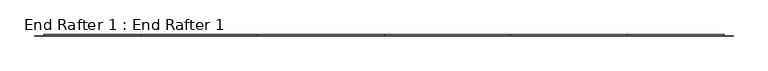
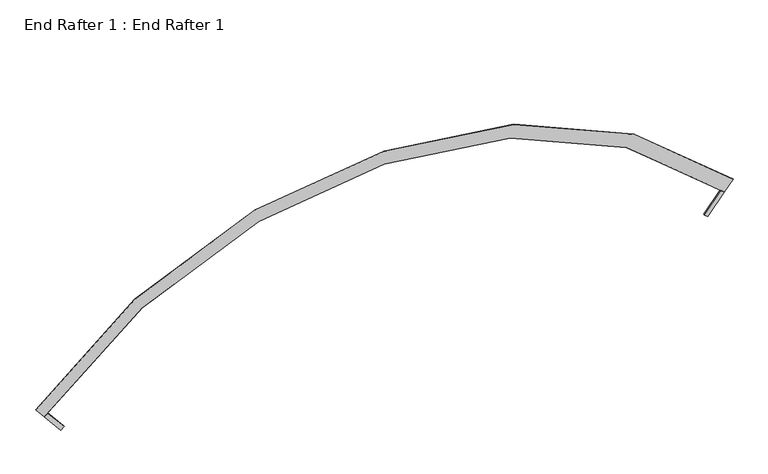
"""IFC4 building model written with IfcOpenShell, lengths in millimetres: proxy geometry, End Rafter 1 : End Rafter 1."""

from ifc_helpers import new_model, si_unit, frame, origin, place, context, project, spatial, polyline, outline, extrude, faceted_brep, source, transform, mapped, element, save


def end_rafter_1_end_rafter_1_32bc433b(model_context):
    return source(origin(), model_context, "Body", "SolidModel", [
        extrude(outline(polyline([(-495.2958383, -7306.1446037), (-351.3586082, -7187.0456107), (-331.0822778, -7211.550594), (-475.0552293, -7330.6064158), (-495.2958383, -7306.1446037)])), frame((0.0, 5367.6209953, 0.0), z_axis=(0.0, 1.0, 0.0), x_axis=(0.0, 0.0, 1.0)), (0.0, 0.0, 1.0), 9.5262039),
        extrude(outline(polyline([(-495.3112808, -11962.9502934), (-475.0705097, -11938.4886156), (-331.0983478, -12057.5453922), (-351.3748407, -12082.050241), (-495.3112808, -11962.9502934)])), frame((0.0, 5367.6209953, 0.0), z_axis=(0.0, 1.0, 0.0), x_axis=(0.0, 0.0, 1.0)), (0.0, 0.0, 1.0), 9.5262039),
        faceted_brep([(-12083.0513154, 5369.1961978, -350.1650074), (-12083.0513154, 5377.1471992, -350.1650074), (-12082.050241, 5377.1471992, -351.3748407), (-12082.050241, 5367.6209953, -351.3748407), (-12145.2093727, 5367.6209953, -275.0448275), (-12145.2093727, 5369.1961978, -275.0448275), (-11378.6436486, 5369.1961978, 232.6958451), (-11378.6436486, 5377.1471992, 232.6958451), (-10540.7789558, 5377.1471992, 598.5550746), (-9634.5514783, 5377.1471992, 719.2915016), (-8728.3240009, 5377.1471992, 598.5550746), (-7890.4593081, 5377.1471992, 232.6958451), (-7186.0516413, 5377.1471992, -350.1650074), (-7187.0527156, 5377.1471992, -351.3748407), (-7891.2901665, 5377.1471992, 231.345167), (-8728.7501378, 5377.1471992, 597.0276721), (-9634.5514783, 5377.1471992, 717.707325), (-10540.3528189, 5377.1471992, 597.0276721), (-11377.8127902, 5377.1471992, 231.345167), (-11377.8127902, 5367.6209953, 231.345167), (-10540.3528189, 5367.6209953, 597.0276721), (-9634.5514783, 5367.6209953, 717.707325), (-8728.7501378, 5367.6209953, 597.0276721), (-7891.2901665, 5367.6209953, 231.345167), (-7187.0527156, 5367.6209953, -351.3748407), (-7123.893584, 5367.6209953, -275.0448275), (-7838.8701918, 5367.6209953, 316.5612762), (-8701.8645855, 5367.6209953, 693.393558), (-9634.5514783, 5367.6209953, 817.6551653), (-10567.2383711, 5367.6209953, 693.393558), (-11430.2327649, 5367.6209953, 316.5612762), (-11430.2327649, 5369.1961978, 316.5612762), (-10567.2383711, 5369.1961978, 693.393558), (-9634.5514783, 5369.1961978, 817.6551653), (-8701.8645855, 5369.1961978, 693.393558), (-7838.8701918, 5369.1961978, 316.5612762), (-7123.893584, 5369.1961978, -275.0448275), (-7186.0516413, 5369.1961978, -350.1650074), (-7890.4593081, 5369.1961978, 232.6958451), (-8728.3240009, 5369.1961978, 598.5550746), (-9634.5514783, 5369.1961978, 719.2915016), (-10540.7789558, 5369.1961978, 598.5550746)], [[[0, 1, 2, 3, 4, 5]], [[1, 0, 6, 7]], [[2, 1, 7, 8, 9, 10, 11, 12, 13, 14, 15, 16, 17, 18]], [[3, 2, 18, 19]], [[4, 3, 19, 20, 21, 22, 23, 24, 25, 26, 27, 28, 29, 30]], [[5, 4, 30, 31]], [[0, 5, 31, 32, 33, 34, 35, 36, 37, 38, 39, 40, 41, 6]], [[7, 6, 41, 8]], [[19, 18, 17, 20]], [[31, 30, 29, 32]], [[8, 41, 40, 9]], [[20, 17, 16, 21]], [[32, 29, 28, 33]], [[9, 40, 39, 10]], [[21, 16, 15, 22]], [[33, 28, 27, 34]], [[10, 39, 38, 11]], [[22, 15, 14, 23]], [[34, 27, 26, 35]], [[37, 36, 25, 24, 13, 12]], [[11, 38, 37, 12]], [[23, 14, 13, 24]], [[35, 26, 25, 36]]]),
    ])


if __name__ == "__main__":
    model = new_model("IFC4")
    model_context = context("Model", 3, world=origin())
    ifc_project = project(units=[si_unit("LENGTHUNIT", "METRE", prefix="MILLI")], contexts=[model_context])
    site = spatial("IfcSite", under=ifc_project)
    building = spatial("IfcBuilding", under=site)
    placement = place(None, origin())
    end_rafter_1_end_rafter_1_shape = end_rafter_1_end_rafter_1_32bc433b(model_context)
    element("IfcBuildingElementProxy", 1, Name="End Rafter 1 : End Rafter 1", ObjectType="End Rafter 1 : End Rafter 1", at=placement, inside=building, context=model_context, shape_type="MappedRepresentation", body=[
        mapped(end_rafter_1_end_rafter_1_shape, transform((0.0, 0.0, 0.0), x_axis=(1.0, 0.0, 0.0), y_axis=(0.0, 1.0, 0.0), z_axis=(0.0, 0.0, 1.0))),
    ])
    save(model, "model.ifc")
